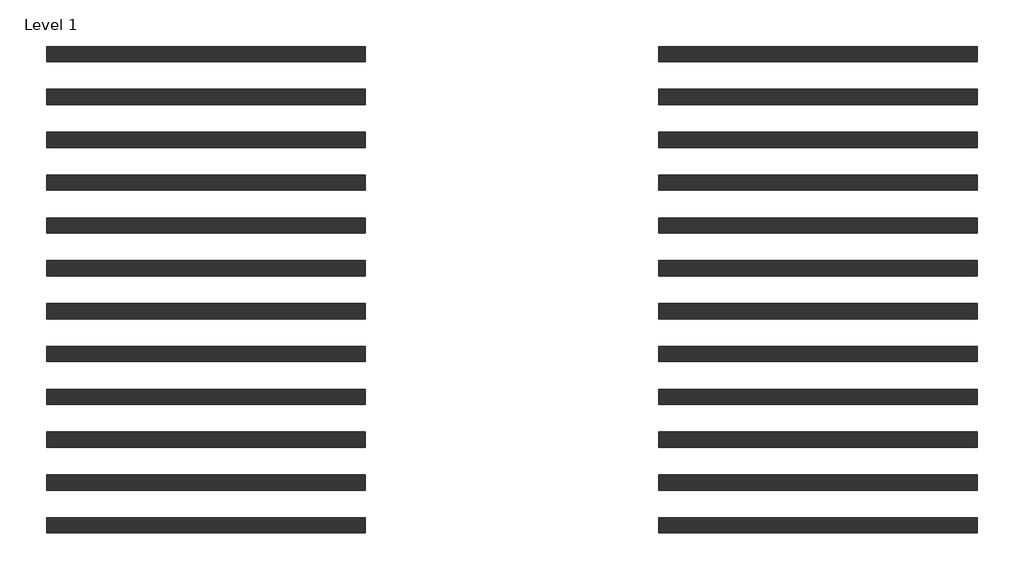
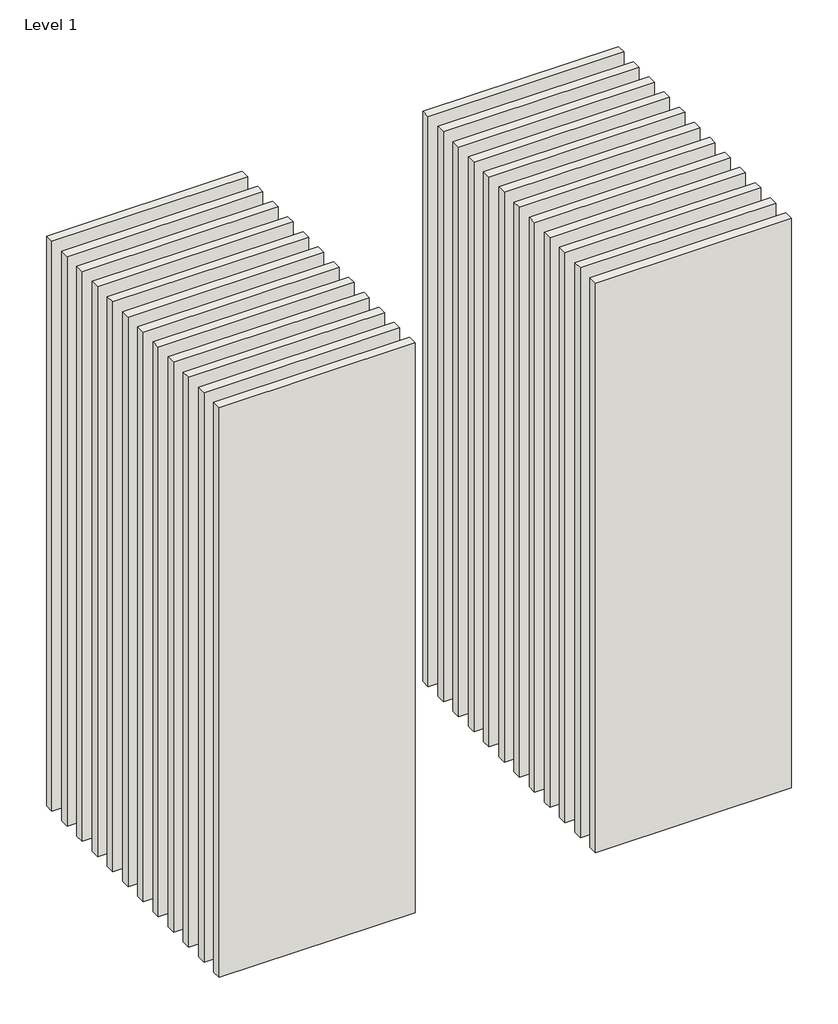
# One storey: 24 walls.
"""IFC4 building model written with IfcOpenShell, lengths in millimetres."""

from ifc_helpers import new_model, si_unit, origin, origin_with_axes, place, context, project, spatial, polyline, outline, extrude, element, save

model = new_model("IFC4")

# Units and contexts
model_context = context("Model", 3, world=origin())
ifc_project = project(units=[si_unit("LENGTHUNIT", "METRE", prefix="MILLI")], contexts=[model_context])

# Site, building, storey
site = spatial("IfcSite", under=ifc_project)
building = spatial("IfcBuilding", under=site)
storey = spatial("IfcBuildingStorey", under=building, Name="Level 1", Elevation=0.0)

# Walls
placement = place(None, origin())
element("IfcWall", 1, at=placement, inside=storey, context=model_context, shape_type="SweptSolid", body=[
    extrude(outline(polyline([(-16904.1464237, 3675.0198817), (-19504.1464237, 3675.0198817), (-19504.1464237, 3800.0198817), (-16904.1464237, 3800.0198817), (-16904.1464237, 3675.0198817)])), origin_with_axes(), (0.0, 0.0, 1.0), 8000.0),
])
element("IfcWall", 2, at=placement, inside=storey, context=model_context, shape_type="SweptSolid", body=[
    extrude(outline(polyline([(-16904.1464237, 3325.0198817), (-19504.1464237, 3325.0198817), (-19504.1464237, 3450.0198817), (-16904.1464237, 3450.0198817), (-16904.1464237, 3325.0198817)])), origin_with_axes(), (0.0, 0.0, 1.0), 8000.0),
])
element("IfcWall", 3, at=placement, inside=storey, context=model_context, shape_type="SweptSolid", body=[
    extrude(outline(polyline([(-16904.1464237, 2975.0198817), (-19504.1464237, 2975.0198817), (-19504.1464237, 3100.0198817), (-16904.1464237, 3100.0198817), (-16904.1464237, 2975.0198817)])), origin_with_axes(), (0.0, 0.0, 1.0), 8000.0),
])
element("IfcWall", 4, at=placement, inside=storey, context=model_context, shape_type="SweptSolid", body=[
    extrude(outline(polyline([(-16904.1464237, 2625.0198817), (-19504.1464237, 2625.0198817), (-19504.1464237, 2750.0198817), (-16904.1464237, 2750.0198817), (-16904.1464237, 2625.0198817)])), origin_with_axes(), (0.0, 0.0, 1.0), 8000.0),
])
element("IfcWall", 5, at=placement, inside=storey, context=model_context, shape_type="SweptSolid", body=[
    extrude(outline(polyline([(-16904.1464237, 2275.0198817), (-19504.1464237, 2275.0198817), (-19504.1464237, 2400.0198817), (-16904.1464237, 2400.0198817), (-16904.1464237, 2275.0198817)])), origin_with_axes(), (0.0, 0.0, 1.0), 8000.0),
])
element("IfcWall", 6, at=placement, inside=storey, context=model_context, shape_type="SweptSolid", body=[
    extrude(outline(polyline([(-16904.1464237, 1925.0198817), (-19504.1464237, 1925.0198817), (-19504.1464237, 2050.0198817), (-16904.1464237, 2050.0198817), (-16904.1464237, 1925.0198817)])), origin_with_axes(), (0.0, 0.0, 1.0), 8000.0),
])
element("IfcWall", 7, at=placement, inside=storey, context=model_context, shape_type="SweptSolid", body=[
    extrude(outline(polyline([(-16904.1464237, 1575.0198817), (-19504.1464237, 1575.0198817), (-19504.1464237, 1700.0198817), (-16904.1464237, 1700.0198817), (-16904.1464237, 1575.0198817)])), origin_with_axes(), (0.0, 0.0, 1.0), 8000.0),
])
element("IfcWall", 8, at=placement, inside=storey, context=model_context, shape_type="SweptSolid", body=[
    extrude(outline(polyline([(-16904.1464237, 1225.0198817), (-19504.1464237, 1225.0198817), (-19504.1464237, 1350.0198817), (-16904.1464237, 1350.0198817), (-16904.1464237, 1225.0198817)])), origin_with_axes(), (0.0, 0.0, 1.0), 8000.0),
])
element("IfcWall", 9, at=placement, inside=storey, context=model_context, shape_type="SweptSolid", body=[
    extrude(outline(polyline([(-16904.1464237, 875.0198817), (-19504.1464237, 875.0198817), (-19504.1464237, 1000.0198817), (-16904.1464237, 1000.0198817), (-16904.1464237, 875.0198817)])), origin_with_axes(), (0.0, 0.0, 1.0), 8000.0),
])
element("IfcWall", 10, at=placement, inside=storey, context=model_context, shape_type="SweptSolid", body=[
    extrude(outline(polyline([(-16904.1464237, 525.0198817), (-19504.1464237, 525.0198817), (-19504.1464237, 650.0198817), (-16904.1464237, 650.0198817), (-16904.1464237, 525.0198817)])), origin_with_axes(), (0.0, 0.0, 1.0), 8000.0),
])
element("IfcWall", 11, at=placement, inside=storey, context=model_context, shape_type="SweptSolid", body=[
    extrude(outline(polyline([(-16904.1464237, 175.0198817), (-19504.1464237, 175.0198817), (-19504.1464237, 300.0198817), (-16904.1464237, 300.0198817), (-16904.1464237, 175.0198817)])), origin_with_axes(), (0.0, 0.0, 1.0), 8000.0),
])
element("IfcWall", 12, at=placement, inside=storey, context=model_context, shape_type="SweptSolid", body=[
    extrude(outline(polyline([(-16904.1464237, -174.9801183), (-19504.1464237, -174.9801183), (-19504.1464237, -49.9801183), (-16904.1464237, -49.9801183), (-16904.1464237, -174.9801183)])), origin_with_axes(), (0.0, 0.0, 1.0), 8000.0),
])
element("IfcWall", 13, at=placement, inside=storey, context=model_context, shape_type="SweptSolid", body=[
    extrude(outline(polyline([(-11904.1464237, 3675.0198817), (-14504.1464237, 3675.0198817), (-14504.1464237, 3800.0198817), (-11904.1464237, 3800.0198817), (-11904.1464237, 3675.0198817)])), origin_with_axes(), (0.0, 0.0, 1.0), 8000.0),
])
element("IfcWall", 14, at=placement, inside=storey, context=model_context, shape_type="SweptSolid", body=[
    extrude(outline(polyline([(-11904.1464237, 3325.0198817), (-14504.1464237, 3325.0198817), (-14504.1464237, 3450.0198817), (-11904.1464237, 3450.0198817), (-11904.1464237, 3325.0198817)])), origin_with_axes(), (0.0, 0.0, 1.0), 8000.0),
])
element("IfcWall", 15, at=placement, inside=storey, context=model_context, shape_type="SweptSolid", body=[
    extrude(outline(polyline([(-11904.1464237, 2975.0198817), (-14504.1464237, 2975.0198817), (-14504.1464237, 3100.0198817), (-11904.1464237, 3100.0198817), (-11904.1464237, 2975.0198817)])), origin_with_axes(), (0.0, 0.0, 1.0), 8000.0),
])
element("IfcWall", 16, at=placement, inside=storey, context=model_context, shape_type="SweptSolid", body=[
    extrude(outline(polyline([(-11904.1464237, 2625.0198817), (-14504.1464237, 2625.0198817), (-14504.1464237, 2750.0198817), (-11904.1464237, 2750.0198817), (-11904.1464237, 2625.0198817)])), origin_with_axes(), (0.0, 0.0, 1.0), 8000.0),
])
element("IfcWall", 17, at=placement, inside=storey, context=model_context, shape_type="SweptSolid", body=[
    extrude(outline(polyline([(-11904.1464237, 2275.0198817), (-14504.1464237, 2275.0198817), (-14504.1464237, 2400.0198817), (-11904.1464237, 2400.0198817), (-11904.1464237, 2275.0198817)])), origin_with_axes(), (0.0, 0.0, 1.0), 8000.0),
])
element("IfcWall", 18, at=placement, inside=storey, context=model_context, shape_type="SweptSolid", body=[
    extrude(outline(polyline([(-11904.1464237, 1925.0198817), (-14504.1464237, 1925.0198817), (-14504.1464237, 2050.0198817), (-11904.1464237, 2050.0198817), (-11904.1464237, 1925.0198817)])), origin_with_axes(), (0.0, 0.0, 1.0), 8000.0),
])
element("IfcWall", 19, at=placement, inside=storey, context=model_context, shape_type="SweptSolid", body=[
    extrude(outline(polyline([(-11904.1464237, 1575.0198817), (-14504.1464237, 1575.0198817), (-14504.1464237, 1700.0198817), (-11904.1464237, 1700.0198817), (-11904.1464237, 1575.0198817)])), origin_with_axes(), (0.0, 0.0, 1.0), 8000.0),
])
element("IfcWall", 20, at=placement, inside=storey, context=model_context, shape_type="SweptSolid", body=[
    extrude(outline(polyline([(-11904.1464237, 1225.0198817), (-14504.1464237, 1225.0198817), (-14504.1464237, 1350.0198817), (-11904.1464237, 1350.0198817), (-11904.1464237, 1225.0198817)])), origin_with_axes(), (0.0, 0.0, 1.0), 8000.0),
])
element("IfcWall", 21, at=placement, inside=storey, context=model_context, shape_type="SweptSolid", body=[
    extrude(outline(polyline([(-11904.1464237, 875.0198817), (-14504.1464237, 875.0198817), (-14504.1464237, 1000.0198817), (-11904.1464237, 1000.0198817), (-11904.1464237, 875.0198817)])), origin_with_axes(), (0.0, 0.0, 1.0), 8000.0),
])
element("IfcWall", 22, at=placement, inside=storey, context=model_context, shape_type="SweptSolid", body=[
    extrude(outline(polyline([(-11904.1464237, 525.0198817), (-14504.1464237, 525.0198817), (-14504.1464237, 650.0198817), (-11904.1464237, 650.0198817), (-11904.1464237, 525.0198817)])), origin_with_axes(), (0.0, 0.0, 1.0), 8000.0),
])
element("IfcWall", 23, at=placement, inside=storey, context=model_context, shape_type="SweptSolid", body=[
    extrude(outline(polyline([(-11904.1464237, 175.0198817), (-14504.1464237, 175.0198817), (-14504.1464237, 300.0198817), (-11904.1464237, 300.0198817), (-11904.1464237, 175.0198817)])), origin_with_axes(), (0.0, 0.0, 1.0), 8000.0),
])
element("IfcWall", 24, at=placement, inside=storey, context=model_context, shape_type="SweptSolid", body=[
    extrude(outline(polyline([(-11904.1464237, -174.9801183), (-14504.1464237, -174.9801183), (-14504.1464237, -49.9801183), (-11904.1464237, -49.9801183), (-11904.1464237, -174.9801183)])), origin_with_axes(), (0.0, 0.0, 1.0), 8000.0),
])

save(model, "model.ifc")
